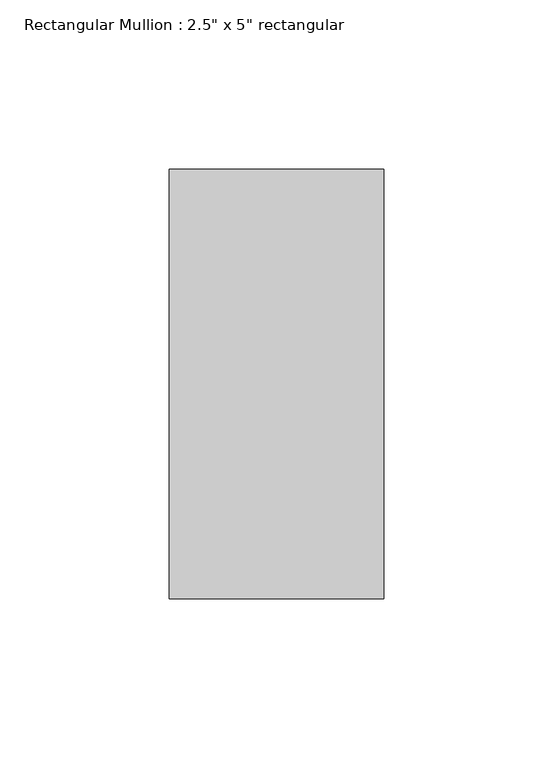
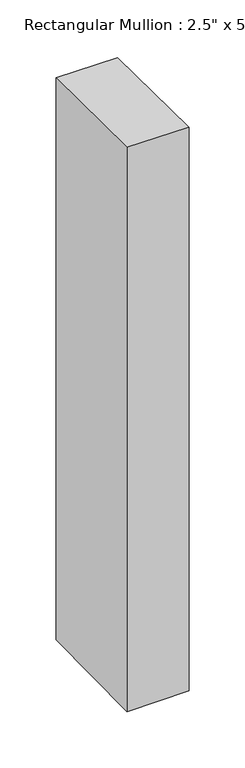
"""IFC4 building model written with IfcOpenShell, lengths in millimetres: member geometry."""

from ifc_helpers import new_model, si_unit, origin, place, context, project, spatial, faceted_brep, source, transform, mapped, element, save


def member_f544d807(model_context):
    return source(origin(), model_context, "Body", "Brep", [
        faceted_brep([(-63.5, 63.5, -0.3276903), (0.0, 63.5, -0.7530212), (0.0, 63.5, -610.6530457), (-63.5, 63.5, -611.2188008), (-63.5, -63.5, 1.178352), (-63.5, -63.5, -612.7284178), (0.0, -63.5, 0.7530212), (0.0, -63.5, -612.1626627)], [[[0, 1, 2, 3]], [[4, 0, 3, 5]], [[6, 4, 5, 7]], [[1, 6, 7, 2]], [[1, 0, 4, 6]], [[2, 7, 5, 3]]]),
    ])


if __name__ == "__main__":
    model = new_model("IFC4")
    model_context = context("Model", 3, world=origin())
    ifc_project = project(units=[si_unit("LENGTHUNIT", "METRE", prefix="MILLI")], contexts=[model_context])
    site = spatial("IfcSite", under=ifc_project)
    building = spatial("IfcBuilding", under=site)
    placement = place(None, origin())
    member_shape = member_f544d807(model_context)
    element("IfcMember", 1, ObjectType="Rectangular Mullion : 2.5\" x 5\" rectangular", at=placement, inside=building, context=model_context, shape_type="MappedRepresentation", body=[
        mapped(member_shape, transform((0.0, 0.0, 0.0), x_axis=(1.0, 0.0, 0.0), y_axis=(0.0, 1.0, 0.0), z_axis=(0.0, 0.0, 1.0))),
    ])
    save(model, "model.ifc")
